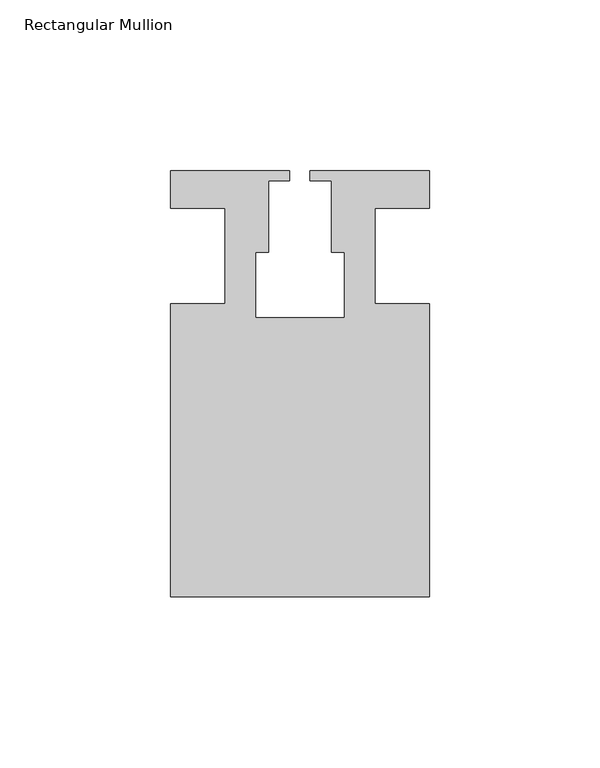
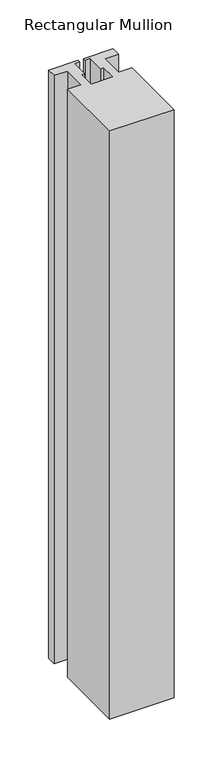
"""IFC4 building model written with IfcOpenShell, lengths in millimetres: member geometry, Rectangular Mullion."""

from ifc_helpers import new_model, si_unit, frame, origin, place, context, project, spatial, polyline, outline, extrude, source, transform, mapped, element, save


def rectangular_mullion_b7ef5d53(model_context):
    return source(origin(), model_context, "Body", "SweptSolid", [
        extrude(outline(polyline([(37.9999914, -99.9960123), (-37.9999896, -99.9960123), (-37.9999896, -13.9960123), (-21.9999633, -13.9960123), (-21.9999633, 14.0039877), (-37.9999896, 14.0039877), (-37.9999896, 25.0039877), (-2.9999896, 25.0039877), (-2.9999896, 22.0039877), (-9.1999633, 22.0039877), (-9.1999633, 1.0039877), (-12.9999633, 1.0039877), (-12.9999633, -18.1960075), (12.9999651, -18.1960075), (12.9999651, 1.0039877), (9.1999651, 1.0039877), (9.1999651, 22.0039877), (2.9999651, 22.0039877), (2.9999651, 25.0039877), (37.9999896, 25.0039877), (37.9999896, 14.0039877), (21.9999651, 14.0039877), (21.9999651, -13.9960123), (37.9999914, -13.9960123), (37.9999914, -99.9960123)])), frame((0.0, 0.0, -735.0030172), z_axis=(0.0, 0.0, 1.0), x_axis=(1.0, 0.0, 0.0)), (0.0, 0.0, 1.0), 735.0030172),
    ])


if __name__ == "__main__":
    model = new_model("IFC4")
    model_context = context("Model", 3, world=origin())
    ifc_project = project(units=[si_unit("LENGTHUNIT", "METRE", prefix="MILLI")], contexts=[model_context])
    site = spatial("IfcSite", under=ifc_project)
    building = spatial("IfcBuilding", under=site)
    placement = place(None, origin())
    rectangular_mullion_shape = rectangular_mullion_b7ef5d53(model_context)
    element("IfcMember", 1, ObjectType="Rectangular Mullion", at=placement, inside=building, context=model_context, shape_type="MappedRepresentation", body=[
        mapped(rectangular_mullion_shape, transform((0.0, 0.0, 0.0), x_axis=(1.0, 0.0, 0.0), y_axis=(0.0, 1.0, 0.0), z_axis=(0.0, 0.0, 1.0))),
    ])
    save(model, "model.ifc")
